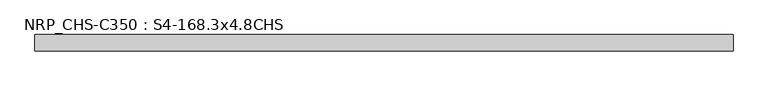
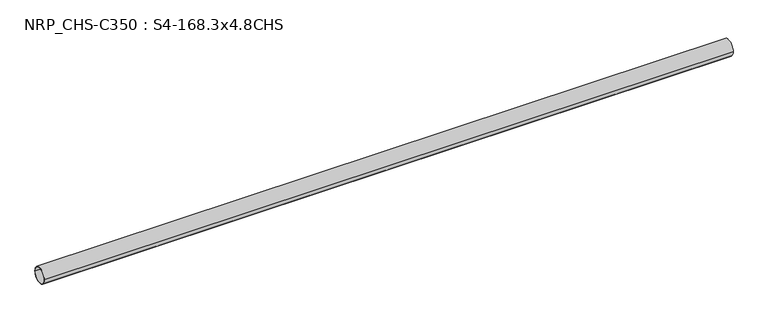
"""IFC4 building model written with IfcOpenShell, lengths in millimetres: beam geometry, NRP_CHS-C350 : S4-168.3x4.8CHS."""

from ifc_helpers import new_model, si_unit, point, frame, origin, origin_2d, place, context, project, spatial, circle_curve, trimmed, segment, composite_curve, outline, extrude, source, transform, mapped, element, save


def nrp_chs_c350_s4_168_3x4_8chs_e9f9555c(model_context):
    return source(origin(), model_context, "Body", "SweptSolid", [
        extrude(outline(composite_curve([segment(trimmed(circle_curve(origin_2d(), 84.15), [point((-84.15, 0.0))], [point((84.15, 0.0))], False, "CARTESIAN"), True, "CONTINUOUS"), segment(trimmed(circle_curve(origin_2d(), 84.15), [point((84.15, 0.0))], [point((-84.15, 0.0))], False, "CARTESIAN"), True, "CONTINUOUS")], self_intersect=False), holes=[composite_curve([segment(trimmed(circle_curve(origin_2d(), 79.35), [point((79.35, 0.0))], [point((-79.35, 0.0))], True, "CARTESIAN"), True, "CONTINUOUS"), segment(trimmed(circle_curve(origin_2d(), 79.35), [point((-79.35, 0.0))], [point((79.35, 0.0))], True, "CARTESIAN"), True, "CONTINUOUS")], self_intersect=False)]), frame((-3567.35, 0.0, 0.0), z_axis=(1.0, 0.0, 0.0), x_axis=(0.0, 1.0, 0.0)), (0.0, 0.0, 1.0), 7161.9),
    ])


if __name__ == "__main__":
    model = new_model("IFC4")
    model_context = context("Model", 3, world=origin())
    ifc_project = project(units=[si_unit("LENGTHUNIT", "METRE", prefix="MILLI")], contexts=[model_context])
    site = spatial("IfcSite", under=ifc_project)
    building = spatial("IfcBuilding", under=site)
    placement = place(None, origin())
    nrp_chs_c350_s4_168_3x4_8chs_shape = nrp_chs_c350_s4_168_3x4_8chs_e9f9555c(model_context)
    element("IfcBeam", 1, ObjectType="NRP_CHS-C350 : S4-168.3x4.8CHS", at=placement, inside=building, context=model_context, shape_type="MappedRepresentation", body=[
        mapped(nrp_chs_c350_s4_168_3x4_8chs_shape, transform((0.0, 0.0, 0.0), x_axis=(1.0, 0.0, 0.0), y_axis=(0.0, 1.0, 0.0), z_axis=(0.0, 0.0, 1.0))),
    ])
    save(model, "model.ifc")
